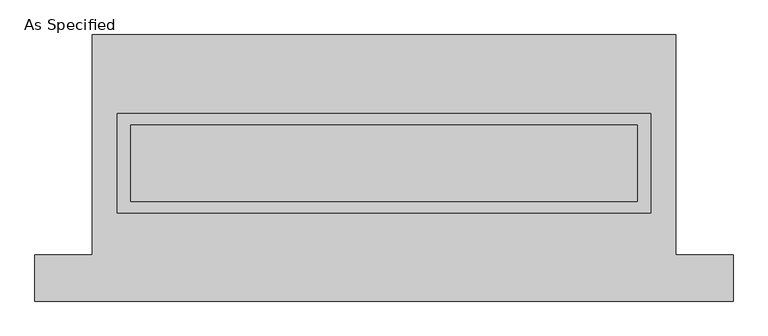
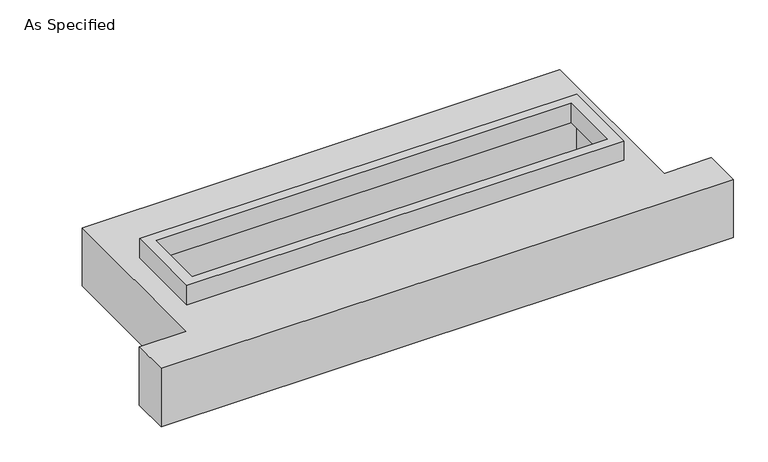
"""IFC4 building model written with IfcOpenShell, lengths in millimetres: proxy geometry, As Specified."""

import ifcopenshell
import ifcopenshell.guid

model = None  # the IFC model being written
_history = None  # IfcOwnerHistory: only IFC2X3 demands one
_inside = {}  # id of a spatial element -> (the spatial element, [elements in it])
_under = {}  # id of a project, library or spatial element -> (it, [spatial elements below it])
_declared = {}  # id of a project -> (the project, [libraries it declares])
_typed = {}  # id of a type object -> (the type object, [elements of that type])
_made_of = {}  # id of a material, layer set ... -> (it, [elements and type objects made of it])


def new_model(schema):
    """Start an empty IFC model of exactly this schema.

    Asked for "IFC4X3", IfcOpenShell would pick the latest addendum, in which some entities
    have other attributes; the version numbers below select the first issue.
    IFC2X3 requires an IfcOwnerHistory on every rooted entity: one is made here for all.
    """
    global model, _history
    if schema == "IFC4X3":
        model = ifcopenshell.file(schema_version=(4, 3, 0, 0))
    else:
        model = ifcopenshell.file(schema=schema)
    _inside.clear()
    _under.clear()
    _declared.clear()
    _typed.clear()
    _made_of.clear()
    _history = None
    if model.schema == "IFC2X3":
        org = make("IfcOrganization", Name="unknown")
        user = make(
            "IfcPersonAndOrganization",
            ThePerson=make("IfcPerson", FamilyName="unknown"),
            TheOrganization=org,
        )
        app = make(
            "IfcApplication",
            ApplicationDeveloper=org,
            Version="unknown",
            ApplicationFullName="unknown",
            ApplicationIdentifier="unknown",
        )
        _history = make(
            "IfcOwnerHistory",
            OwningUser=user,
            OwningApplication=app,
            ChangeAction="ADDED",
            CreationDate=0,
        )
    return model


def make(cls, **values):
    """One entity of the class cls with the attributes given. An attribute that is None is left unset."""
    return model.create_entity(
        cls, **{name: value for name, value in values.items() if value is not None}
    )


def rooted(cls, **values):
    """An entity with a GlobalId (a new one), such as an element, a storey or a relation."""
    return make(cls, GlobalId=ifcopenshell.guid.new(), OwnerHistory=_history, **values)


def si_unit(unit_type, name, prefix=None):
    """IfcSIUnit, for example si_unit("LENGTHUNIT", "METRE", prefix="MILLI")."""
    return make("IfcSIUnit", UnitType=unit_type, Prefix=prefix, Name=name)


def assignment(units):
    """IfcUnitAssignment: the units of a project."""
    return None if units is None else make("IfcUnitAssignment", Units=units)


def point(xyz):
    """IfcCartesianPoint."""
    return None if xyz is None else make("IfcCartesianPoint", Coordinates=xyz)


def direction(xyz):
    """IfcDirection."""
    return None if xyz is None else make("IfcDirection", DirectionRatios=xyz)


def frame(location, z_axis=None, x_axis=None):
    """IfcAxis2Placement3D, a coordinate frame: its origin and axes. An axis left out is left unset."""
    return make(
        "IfcAxis2Placement3D",
        Location=point(location),
        Axis=direction(z_axis),
        RefDirection=direction(x_axis),
    )


def origin():
    """The frame at (0, 0, 0) with its axes left unset."""
    return frame((0.0, 0.0, 0.0))


def place(relative_to, where):
    """IfcLocalPlacement: puts the frame where relative to a parent placement (None: the world)."""
    return make(
        "IfcLocalPlacement", PlacementRelTo=relative_to, RelativePlacement=where
    )


def context(
    kind, dimensions, precision=None, world=None, true_north=None, identifier=None
):
    """IfcGeometricRepresentationContext, for example the 3D "Model" context."""
    return make(
        "IfcGeometricRepresentationContext",
        ContextIdentifier=identifier,
        ContextType=kind,
        CoordinateSpaceDimension=dimensions,
        Precision=precision,
        WorldCoordinateSystem=world,
        TrueNorth=true_north,
    )


def project(units=None, contexts=None):
    """IfcProject with its units and contexts."""
    return rooted(
        "IfcProject",
        Name="project",
        RepresentationContexts=contexts,
        UnitsInContext=assignment(units),
    )


def spatial(cls, under=None, at=None, **own):
    """A site, building, storey or space (cls), placed at a placement, below another one or the project."""
    s = rooted(cls, ObjectPlacement=at, **own)
    if under is not None:
        _under.setdefault(under.id(), (under, []))[1].append(s)
    return s


def polyline(points):
    """IfcPolyline through the points."""
    return make("IfcPolyline", Points=[point(p) for p in points])


def outline(outer, holes=None, kind="AREA"):
    """IfcArbitraryClosedProfileDef: a profile drawn as a closed curve; with holes, ...WithVoids."""
    if holes is None:
        return make("IfcArbitraryClosedProfileDef", ProfileType=kind, OuterCurve=outer)
    return make(
        "IfcArbitraryProfileDefWithVoids",
        ProfileType=kind,
        OuterCurve=outer,
        InnerCurves=holes,
    )


def extrude(swept, where, along, depth):
    """IfcExtrudedAreaSolid: the profile swept, set in the frame where, extruded along a direction by depth."""
    return make(
        "IfcExtrudedAreaSolid",
        SweptArea=swept,
        Position=where,
        ExtrudedDirection=direction(along),
        Depth=depth,
    )


def faces_of(points, faces, orient=None, outer=None):
    """IfcFace entities. A face is a list of loops; a loop is a list of indices into points, from 0.

    orient and outer hold one flag for each loop. By default every Orientation is true, the
    first loop of a face is its IfcFaceOuterBound and the others are IfcFaceBound.
    """
    made = []
    for i, loops in enumerate(faces):
        bounds = []
        for j, loop in enumerate(loops):
            is_outer = j == 0 if outer is None else outer[i][j]
            bounds.append(
                make(
                    "IfcFaceOuterBound" if is_outer else "IfcFaceBound",
                    Bound=make("IfcPolyLoop", Polygon=[points[k] for k in loop]),
                    Orientation=True if orient is None else orient[i][j],
                )
            )
        made.append(make("IfcFace", Bounds=bounds))
    return made


def faceted_brep(points, faces, orient=None, outer=None, voids=None):
    """IfcFacetedBrep: a solid bounded by flat faces; with voids (closed shells), ...WithVoids."""
    shared = [point(p) for p in points]
    hull = make("IfcClosedShell", CfsFaces=faces_of(shared, faces, orient, outer))
    if voids is None:
        return make("IfcFacetedBrep", Outer=hull)
    return make(
        "IfcFacetedBrepWithVoids",
        Outer=hull,
        Voids=[
            make(cls, CfsFaces=faces_of(shared, fs, o, b)) for cls, fs, o, b in voids
        ],
    )


def shape(context_of_items, identifier, shape_type, items):
    """IfcShapeRepresentation: the items that make up one representation, for example the "Body"."""
    return make(
        "IfcShapeRepresentation",
        ContextOfItems=context_of_items,
        RepresentationIdentifier=identifier,
        RepresentationType=shape_type,
        Items=items,
    )


def source(mapping_origin, context_of_items, identifier, shape_type, items):
    """IfcRepresentationMap: a shape defined once, which mapped items show again and again."""
    return make(
        "IfcRepresentationMap",
        MappingOrigin=mapping_origin,
        MappedRepresentation=shape(context_of_items, identifier, shape_type, items),
    )


def transform(
    local_origin,
    x_axis=None,
    y_axis=None,
    z_axis=None,
    scale=None,
    scale2=None,
    scale3=None,
    uniform=True,
):
    """IfcCartesianTransformationOperator3D, or its non-uniform kind. x_axis, y_axis, z_axis: its Axis1, 2, 3."""
    if uniform:
        return make(
            "IfcCartesianTransformationOperator3D",
            Axis1=direction(x_axis),
            Axis2=direction(y_axis),
            LocalOrigin=point(local_origin),
            Scale=scale,
            Axis3=direction(z_axis),
        )
    return make(
        "IfcCartesianTransformationOperator3DnonUniform",
        Axis1=direction(x_axis),
        Axis2=direction(y_axis),
        LocalOrigin=point(local_origin),
        Scale=scale,
        Axis3=direction(z_axis),
        Scale2=scale2,
        Scale3=scale3,
    )


def mapped(mapping_source, mapping_target):
    """IfcMappedItem: shows the shape of a source again, moved by a transform."""
    return make(
        "IfcMappedItem", MappingSource=mapping_source, MappingTarget=mapping_target
    )


def made_of(thing, what):
    """Note that an element or type object is made of a material, layer set ...; save() writes the relation."""
    if what is not None:
        _made_of.setdefault(what.id(), (what, []))[1].append(thing)
    return thing


def element(
    cls,
    number,
    at=None,
    inside=None,
    cuts=None,
    type_object=None,
    material=None,
    context=None,
    identifier="Body",
    shape_type=None,
    held_by="IfcProductDefinitionShape",
    body=None,
    shapes=None,
    **own,
):
    """One element of the class cls, such as IfcWall. Its Tag is "e" and its number.

    at: its placement. inside: the storey or other place that contains it. cuts: it is an
    opening in that element (IfcRelVoidsElement). A single representation is given by context,
    identifier, shape_type and body (its items); several are given by shapes. held_by: the class
    of the entity that holds the representations. save() writes the other relations.
    """
    e = rooted(cls, Tag="e%d" % number, ObjectPlacement=at, **own)
    if body is not None:
        shapes = [shape(context, identifier, shape_type, body)]
    if shapes is not None:
        e.Representation = make(held_by, Representations=shapes)
    if inside is not None:
        _inside.setdefault(inside.id(), (inside, []))[1].append(e)
    if cuts is not None:
        rooted(
            "IfcRelVoidsElement", RelatingBuildingElement=cuts, RelatedOpeningElement=e
        )
    if type_object is not None:
        _typed.setdefault(type_object.id(), (type_object, []))[1].append(e)
    return made_of(e, material)


def aggregate(whole, parts):
    """IfcRelAggregates: a whole, such as a stair, and the parts it consists of."""
    return rooted("IfcRelAggregates", RelatingObject=whole, RelatedObjects=parts)


def save(model, path):
    """Write the relations noted so far, then the file.

    IfcRelAggregates (storeys below a building ...), IfcRelContainedInSpatialStructure (elements
    in a storey), IfcRelDefinesByType, IfcRelAssociatesMaterial and IfcRelDeclares: one each for
    every whole, place, type object, material and project.
    """
    for whole, parts in _under.values():
        aggregate(whole, parts)
    for where, things in _inside.values():
        rooted(
            "IfcRelContainedInSpatialStructure",
            RelatedElements=things,
            RelatingStructure=where,
        )
    for kind, things in _typed.values():
        rooted("IfcRelDefinesByType", RelatedObjects=things, RelatingType=kind)
    for what, things in _made_of.values():
        rooted("IfcRelAssociatesMaterial", RelatedObjects=things, RelatingMaterial=what)
    for by, libraries in _declared.values():
        rooted("IfcRelDeclares", RelatingContext=by, RelatedDefinitions=libraries)
    model.write(path)


def as_specified_294dd443(model_context):
    return source(origin(), model_context, "Body", "SolidModel", [
        extrude(outline(polyline([(1765.3, 361.95), (1765.3, -298.45), (-1765.3, -298.45), (-1765.3, 361.95), (1765.3, 361.95)]), holes=[polyline([(1676.4, 285.75), (-1676.4, 285.75), (-1676.4, -222.25), (1676.4, -222.25), (1676.4, 285.75)])]), frame((0.0, 0.0, -25.4), z_axis=(0.0, 0.0, 1.0), x_axis=(1.0, 0.0, 0.0)), (0.0, 0.0, 1.0), 165.1),
        faceted_brep([(-1930.4, 882.65, -523.875), (1930.4, 882.65, -523.875), (1930.4, -577.85, -523.875), (2311.4, -577.85, -523.875), (2311.4, -882.65, -523.875), (-2311.4, -882.65, -523.875), (-2311.4, -577.85, -523.875), (-1930.4, -577.85, -523.875), (1930.4, 882.65, -25.4), (-1930.4, 882.65, -25.4), (-1930.4, -577.85, -25.4), (-2311.4, -577.85, -25.4), (-2311.4, -882.65, -25.4), (2311.4, -882.65, -25.4), (2311.4, -577.85, -25.4), (1930.4, -577.85, -25.4), (-1765.3, -298.45, -25.4), (-1765.3, 361.95, -25.4), (1765.3, 361.95, -25.4), (1765.3, -298.45, -25.4), (1765.3, 361.95, -498.475), (-1765.3, 361.95, -498.475), (-1765.3, -298.45, -498.475), (1765.3, -298.45, -498.475)], [[[0, 1, 2, 3, 4, 5, 6, 7]], [[8, 9, 10, 11, 12, 13, 14, 15], [16, 17, 18, 19]], [[1, 0, 9, 8]], [[9, 0, 7, 10]], [[1, 8, 15, 2]], [[20, 21, 22, 23]], [[22, 21, 17, 16]], [[21, 20, 18, 17]], [[20, 23, 19, 18]], [[23, 22, 16, 19]], [[5, 4, 13, 12]], [[3, 2, 15, 14]], [[4, 3, 14, 13]], [[7, 6, 11, 10]], [[6, 5, 12, 11]]]),
    ])


if __name__ == "__main__":
    model = new_model("IFC4")
    model_context = context("Model", 3, world=origin())
    ifc_project = project(units=[si_unit("LENGTHUNIT", "METRE", prefix="MILLI")], contexts=[model_context])
    site = spatial("IfcSite", under=ifc_project)
    building = spatial("IfcBuilding", under=site)
    placement = place(None, origin())
    as_specified_shape = as_specified_294dd443(model_context)
    element("IfcBuildingElementProxy", 1, Name="As Specified", ObjectType="As Specified", at=placement, inside=building, context=model_context, shape_type="MappedRepresentation", body=[
        mapped(as_specified_shape, transform((0.0, 0.0, 0.0), x_axis=(1.0, 0.0, 0.0), y_axis=(0.0, 1.0, 0.0), z_axis=(0.0, 0.0, 1.0))),
    ])
    save(model, "model.ifc")
